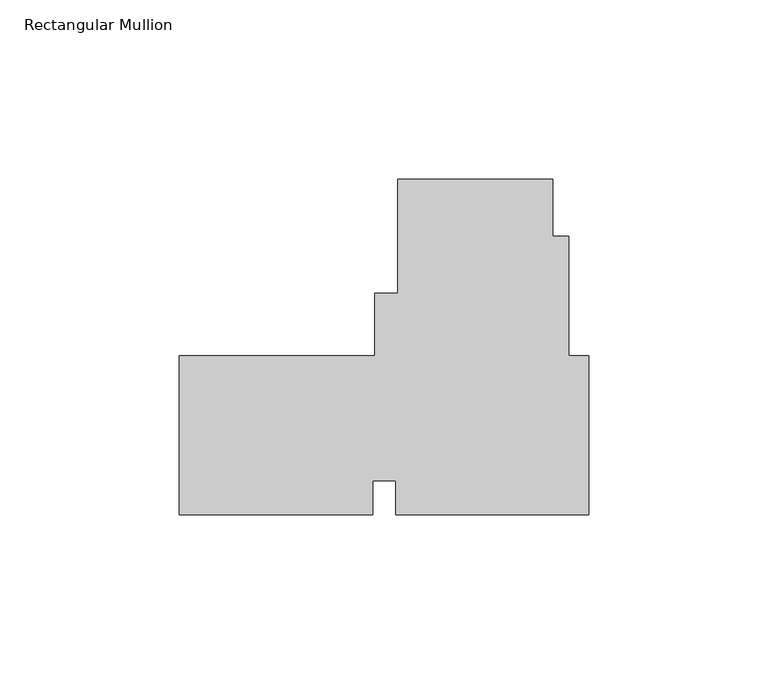
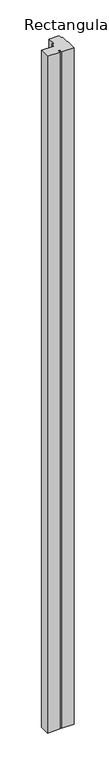
"""IFC4 building model written with IfcOpenShell, lengths in millimetres: member geometry, Rectangular Mullion."""

from ifc_helpers import new_model, si_unit, frame, origin, place, context, project, spatial, polyline, outline, extrude, source, transform, mapped, element, save


def rectangular_mullion_6129ace3(model_context):
    return source(origin(), model_context, "Body", "SweptSolid", [
        extrude(outline(polyline([(-114.3, -3.6547867), (-59.7361961, -3.6547867), (-59.7361961, 13.8089741), (-53.2811238, 13.8089741), (-53.2811238, 45.5704133), (-10.1074103, 45.5704133), (-10.1074103, 29.6954133), (-5.6561238, 29.6954133), (-5.6561238, -3.6547867), (0.0, -3.6547867), (0.0, -48.1047867), (-53.8990662, -48.1047867), (-53.8990662, -38.5797867), (-60.3393046, -38.5797867), (-60.3393046, -48.1047867), (-114.3, -48.1047867), (-114.3, -3.6547867)])), frame((0.0, 0.0, -3048.0), z_axis=(0.0, 0.0, 1.0), x_axis=(1.0, 0.0, 0.0)), (0.0, 0.0, 1.0), 3048.0),
    ])


if __name__ == "__main__":
    model = new_model("IFC4")
    model_context = context("Model", 3, world=origin())
    ifc_project = project(units=[si_unit("LENGTHUNIT", "METRE", prefix="MILLI")], contexts=[model_context])
    site = spatial("IfcSite", under=ifc_project)
    building = spatial("IfcBuilding", under=site)
    placement = place(None, origin())
    rectangular_mullion_shape = rectangular_mullion_6129ace3(model_context)
    element("IfcMember", 1, ObjectType="Rectangular Mullion", at=placement, inside=building, context=model_context, shape_type="MappedRepresentation", body=[
        mapped(rectangular_mullion_shape, transform((0.0, 0.0, 0.0), x_axis=(1.0, 0.0, 0.0), y_axis=(0.0, 1.0, 0.0), z_axis=(0.0, 0.0, 1.0))),
    ])
    save(model, "model.ifc")
